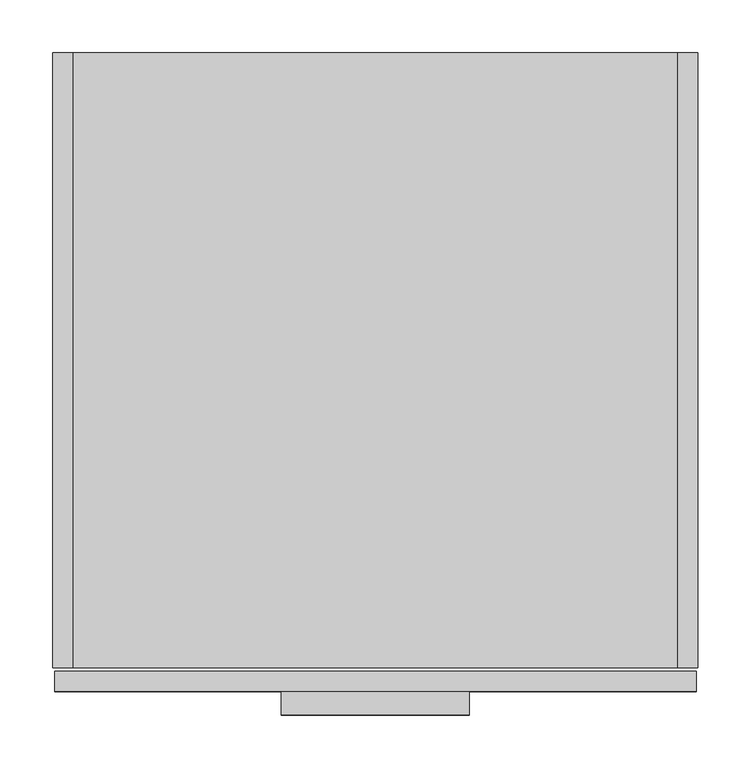
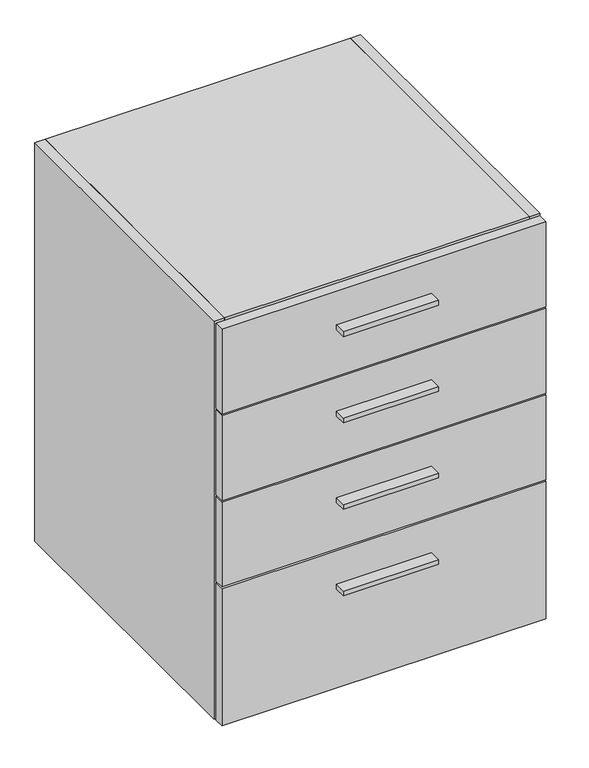
"""IFC4 building model written with IfcOpenShell, lengths in millimetres: furniture geometry."""

from ifc_helpers import new_model, si_unit, frame, origin, place, context, project, spatial, polyline, outline, extrude, source, transform, mapped, element, save


def furniture_6189702e(model_context):
    return source(origin(), model_context, "Body", "SweptSolid", [
        extrude(outline(polyline([(393.7, -625.729), (215.9, -625.729), (215.9, -603.504), (393.7, -603.504), (393.7, -625.729)])), frame((0.0, 0.0, 297.3451), z_axis=(0.0, 0.0, 1.0), x_axis=(1.0, 0.0, 0.0)), (0.0, 0.0, 1.0), 9.525),
        extrude(outline(polyline([(393.7, -625.729), (215.9, -625.729), (215.9, -603.504), (393.7, -603.504), (393.7, -625.729)])), frame((0.0, 0.0, 809.9425), z_axis=(0.0, 0.0, 1.0), x_axis=(1.0, 0.0, 0.0)), (0.0, 0.0, 1.0), 9.525),
        extrude(outline(polyline([(393.7, -625.729), (215.9, -625.729), (215.9, -603.504), (393.7, -603.504), (393.7, -625.729)])), frame((0.0, 0.0, 639.0767), z_axis=(0.0, 0.0, 1.0), x_axis=(1.0, 0.0, 0.0)), (0.0, 0.0, 1.0), 9.525),
        extrude(outline(polyline([(393.7, -625.729), (215.9, -625.729), (215.9, -603.504), (393.7, -603.504), (393.7, -625.729)])), frame((0.0, 0.0, 468.2109), z_axis=(0.0, 0.0, 1.0), x_axis=(1.0, 0.0, 0.0)), (0.0, 0.0, 1.0), 9.525),
        extrude(outline(polyline([(590.296, 0.0), (590.296, -19.304), (19.304, -19.304), (19.304, 0.0), (590.296, 0.0)])), frame((0.0, 0.0, 101.6), z_axis=(0.0, 0.0, 1.0), x_axis=(1.0, 0.0, 0.0)), (0.0, 0.0, 1.0), 768.096),
        extrude(outline(polyline([(590.296, -581.025), (19.304, -581.025), (19.304, -19.304), (590.296, -19.304), (590.296, -581.025)])), frame((0.0, 0.0, 101.6), z_axis=(0.0, 0.0, 1.0), x_axis=(1.0, 0.0, 0.0)), (0.0, 0.0, 1.0), 19.304),
        extrude(outline(polyline([(590.296, -581.025), (19.304, -581.025), (19.304, 0.0), (590.296, 0.0), (590.296, -581.025)])), frame((0.0, 0.0, 869.696), z_axis=(0.0, 0.0, 1.0), x_axis=(1.0, 0.0, 0.0)), (0.0, 0.0, 1.0), 19.304),
        extrude(outline(polyline([(19.304, 0.0), (19.304, -581.025), (0.0, -581.025), (0.0, 0.0), (19.304, 0.0)])), frame((0.0, 0.0, 101.6), z_axis=(0.0, 0.0, 1.0), x_axis=(1.0, 0.0, 0.0)), (0.0, 0.0, 1.0), 787.4),
        extrude(outline(polyline([(590.296, 0.0), (609.6, 0.0), (609.6, -581.025), (590.296, -581.025), (590.296, 0.0)])), frame((0.0, 0.0, 101.6), z_axis=(0.0, 0.0, 1.0), x_axis=(1.0, 0.0, 0.0)), (0.0, 0.0, 1.0), 787.4),
        extrude(outline(polyline([(608.0125, -603.504), (1.5875, -603.504), (1.5875, -584.2), (608.0125, -584.2), (608.0125, -603.504)])), frame((0.0, 0.0, 718.1342), z_axis=(0.0, 0.0, 1.0), x_axis=(1.0, 0.0, 0.0)), (0.0, 0.0, 1.0), 167.6908),
        extrude(outline(polyline([(608.0125, -603.504), (1.5875, -603.504), (1.5875, -584.2), (608.0125, -584.2), (608.0125, -603.504)])), frame((0.0, 0.0, 547.2684), z_axis=(0.0, 0.0, 1.0), x_axis=(1.0, 0.0, 0.0)), (0.0, 0.0, 1.0), 167.6908),
        extrude(outline(polyline([(608.0125, -603.504), (1.5875, -603.504), (1.5875, -584.2), (608.0125, -584.2), (608.0125, -603.504)])), frame((0.0, 0.0, 376.4026), z_axis=(0.0, 0.0, 1.0), x_axis=(1.0, 0.0, 0.0)), (0.0, 0.0, 1.0), 167.6908),
        extrude(outline(polyline([(608.0125, -603.504), (1.5875, -603.504), (1.5875, -584.2), (608.0125, -584.2), (608.0125, -603.504)])), frame((0.0, 0.0, 101.6), z_axis=(0.0, 0.0, 1.0), x_axis=(1.0, 0.0, 0.0)), (0.0, 0.0, 1.0), 271.6276),
    ])


if __name__ == "__main__":
    model = new_model("IFC4")
    model_context = context("Model", 3, world=origin())
    ifc_project = project(units=[si_unit("LENGTHUNIT", "METRE", prefix="MILLI")], contexts=[model_context])
    site = spatial("IfcSite", under=ifc_project)
    building = spatial("IfcBuilding", under=site)
    placement = place(None, origin())
    furniture_shape = furniture_6189702e(model_context)
    element("IfcFurniture", 1, at=placement, inside=building, context=model_context, shape_type="MappedRepresentation", body=[
        mapped(furniture_shape, transform((0.0, 0.0, 0.0), x_axis=(1.0, 0.0, 0.0), y_axis=(0.0, 1.0, 0.0), z_axis=(0.0, 0.0, 1.0))),
    ])
    save(model, "model.ifc")
